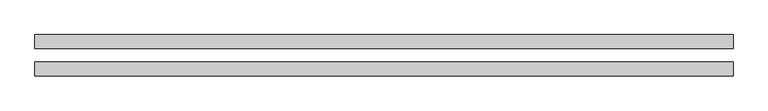
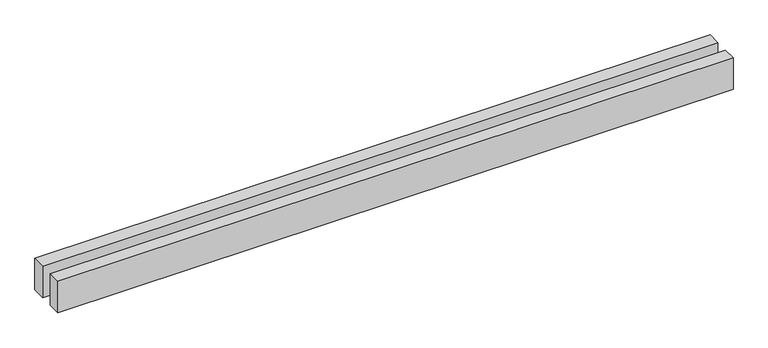
"""IFC4 building model written with IfcOpenShell, lengths in millimetres: proxy geometry."""

from ifc_helpers import new_model, si_unit, origin, origin_with_axes, place, context, project, spatial, polyline, outline, extrude, source, transform, mapped, element, save


def generic_models_61ba80dc(model_context):
    return source(origin(), model_context, "Body", "SweptSolid", [
        extrude(outline(polyline([(10169.2596917, 300.0), (10169.2596917, 100.0), (0.0, 100.0), (0.0, 300.0), (10169.2596917, 300.0)])), origin_with_axes(), (0.0, 0.0, 1.0), 500.0),
        extrude(outline(polyline([(10169.2596917, -100.0), (10169.2596917, -300.0), (0.0, -300.0), (0.0, -100.0), (10169.2596917, -100.0)])), origin_with_axes(), (0.0, 0.0, 1.0), 500.0),
    ])


if __name__ == "__main__":
    model = new_model("IFC4")
    model_context = context("Model", 3, world=origin())
    ifc_project = project(units=[si_unit("LENGTHUNIT", "METRE", prefix="MILLI")], contexts=[model_context])
    site = spatial("IfcSite", under=ifc_project)
    building = spatial("IfcBuilding", under=site)
    placement = place(None, origin())
    generic_models_shape = generic_models_61ba80dc(model_context)
    element("IfcBuildingElementProxy", 1, Name="Generic Models", at=placement, inside=building, context=model_context, shape_type="MappedRepresentation", body=[
        mapped(generic_models_shape, transform((0.0, 0.0, 0.0), x_axis=(1.0, 0.0, 0.0), y_axis=(0.0, 1.0, 0.0), z_axis=(0.0, 0.0, 1.0))),
    ])
    save(model, "model.ifc")
